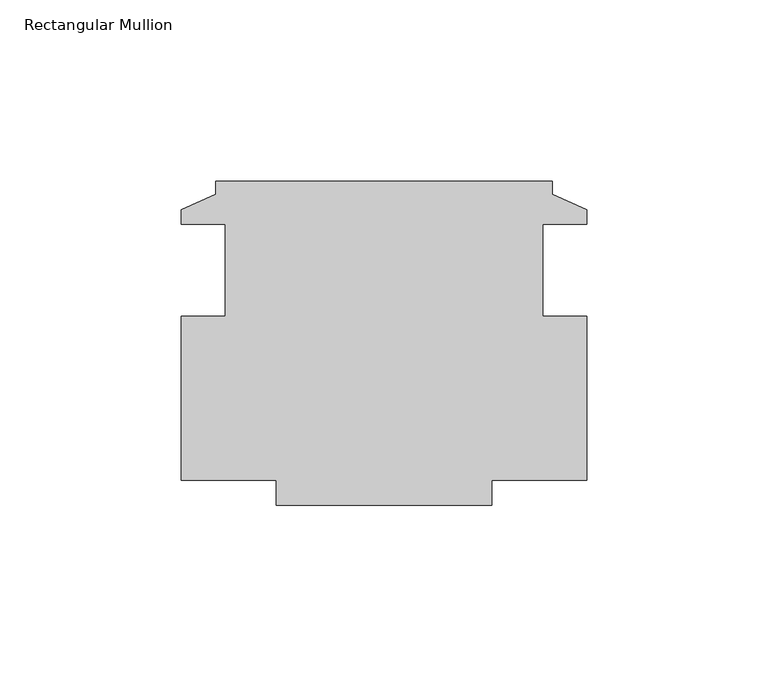
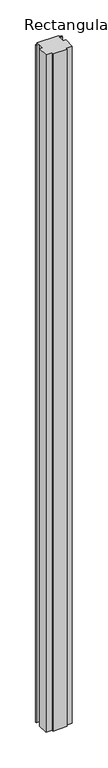
"""IFC4 building model written with IfcOpenShell, lengths in millimetres: member geometry, Rectangular Mullion."""

from ifc_helpers import new_model, si_unit, frame, origin, place, context, project, spatial, polyline, outline, extrude, source, transform, mapped, element, save


def rectangular_mullion_e1029c3a(model_context):
    return source(origin(), model_context, "Body", "SweptSolid", [
        extrude(outline(polyline([(-9.525, 47.5584251), (-9.525, 43.9516251), (0.0, 39.6336251), (0.0, 35.7220251), (-12.2174, 35.7220251), (-12.2174, 10.3220251), (0.0, 10.3220251), (0.0, -34.9915749), (-26.289, -34.9915749), (-26.289, -41.9003749), (-85.6234, -41.9003749), (-85.6234, -34.9915749), (-111.9124, -34.9915749), (-111.9124, 10.3220251), (-99.695, 10.3220251), (-99.695, 35.7220251), (-111.9124, 35.7220251), (-111.9124, 39.6336251), (-102.3874, 43.9516251), (-102.3874, 47.5584251), (-9.525, 47.5584251)])), frame((0.0, 0.0, -3048.0), z_axis=(0.0, 0.0, 1.0), x_axis=(1.0, 0.0, 0.0)), (0.0, 0.0, 1.0), 3048.0),
    ])


if __name__ == "__main__":
    model = new_model("IFC4")
    model_context = context("Model", 3, world=origin())
    ifc_project = project(units=[si_unit("LENGTHUNIT", "METRE", prefix="MILLI")], contexts=[model_context])
    site = spatial("IfcSite", under=ifc_project)
    building = spatial("IfcBuilding", under=site)
    placement = place(None, origin())
    rectangular_mullion_shape = rectangular_mullion_e1029c3a(model_context)
    element("IfcMember", 1, ObjectType="Rectangular Mullion", at=placement, inside=building, context=model_context, shape_type="MappedRepresentation", body=[
        mapped(rectangular_mullion_shape, transform((0.0, 0.0, 0.0), x_axis=(1.0, 0.0, 0.0), y_axis=(0.0, 1.0, 0.0), z_axis=(0.0, 0.0, 1.0))),
    ])
    save(model, "model.ifc")
